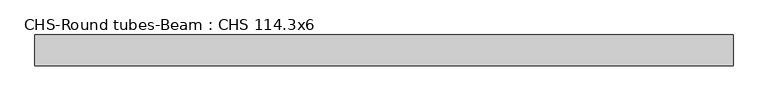
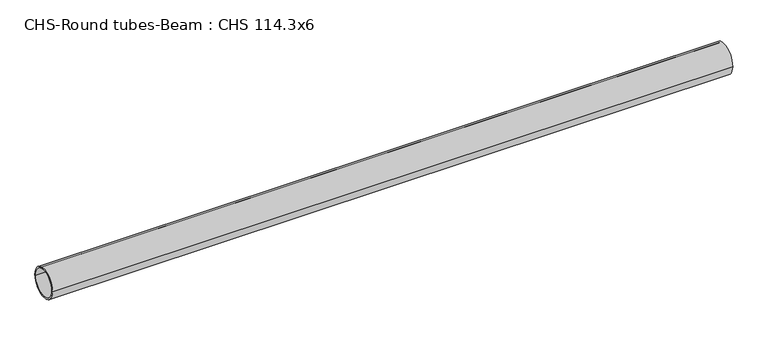
"""IFC4 building model written with IfcOpenShell, lengths in millimetres: beam geometry, CHS-Round tubes-Beam : CHS 114.3x6."""

import ifcopenshell
import ifcopenshell.guid

model = None  # the IFC model being written
_history = None  # IfcOwnerHistory: only IFC2X3 demands one
_inside = {}  # id of a spatial element -> (the spatial element, [elements in it])
_under = {}  # id of a project, library or spatial element -> (it, [spatial elements below it])
_declared = {}  # id of a project -> (the project, [libraries it declares])
_typed = {}  # id of a type object -> (the type object, [elements of that type])
_made_of = {}  # id of a material, layer set ... -> (it, [elements and type objects made of it])


def new_model(schema):
    """Start an empty IFC model of exactly this schema.

    Asked for "IFC4X3", IfcOpenShell would pick the latest addendum, in which some entities
    have other attributes; the version numbers below select the first issue.
    IFC2X3 requires an IfcOwnerHistory on every rooted entity: one is made here for all.
    """
    global model, _history
    if schema == "IFC4X3":
        model = ifcopenshell.file(schema_version=(4, 3, 0, 0))
    else:
        model = ifcopenshell.file(schema=schema)
    _inside.clear()
    _under.clear()
    _declared.clear()
    _typed.clear()
    _made_of.clear()
    _history = None
    if model.schema == "IFC2X3":
        org = make("IfcOrganization", Name="unknown")
        user = make(
            "IfcPersonAndOrganization",
            ThePerson=make("IfcPerson", FamilyName="unknown"),
            TheOrganization=org,
        )
        app = make(
            "IfcApplication",
            ApplicationDeveloper=org,
            Version="unknown",
            ApplicationFullName="unknown",
            ApplicationIdentifier="unknown",
        )
        _history = make(
            "IfcOwnerHistory",
            OwningUser=user,
            OwningApplication=app,
            ChangeAction="ADDED",
            CreationDate=0,
        )
    return model


def make(cls, **values):
    """One entity of the class cls with the attributes given. An attribute that is None is left unset."""
    return model.create_entity(
        cls, **{name: value for name, value in values.items() if value is not None}
    )


def rooted(cls, **values):
    """An entity with a GlobalId (a new one), such as an element, a storey or a relation."""
    return make(cls, GlobalId=ifcopenshell.guid.new(), OwnerHistory=_history, **values)


def si_unit(unit_type, name, prefix=None):
    """IfcSIUnit, for example si_unit("LENGTHUNIT", "METRE", prefix="MILLI")."""
    return make("IfcSIUnit", UnitType=unit_type, Prefix=prefix, Name=name)


def assignment(units):
    """IfcUnitAssignment: the units of a project."""
    return None if units is None else make("IfcUnitAssignment", Units=units)


def point(xyz):
    """IfcCartesianPoint."""
    return None if xyz is None else make("IfcCartesianPoint", Coordinates=xyz)


def direction(xyz):
    """IfcDirection."""
    return None if xyz is None else make("IfcDirection", DirectionRatios=xyz)


def frame(location, z_axis=None, x_axis=None):
    """IfcAxis2Placement3D, a coordinate frame: its origin and axes. An axis left out is left unset."""
    return make(
        "IfcAxis2Placement3D",
        Location=point(location),
        Axis=direction(z_axis),
        RefDirection=direction(x_axis),
    )


def frame_2d(location, x_axis=None):
    """IfcAxis2Placement2D, a coordinate frame in the plane: its origin and x axis."""
    return make(
        "IfcAxis2Placement2D", Location=point(location), RefDirection=direction(x_axis)
    )


def origin():
    """The frame at (0, 0, 0) with its axes left unset."""
    return frame((0.0, 0.0, 0.0))


def origin_2d():
    """The frame at (0, 0) in the plane with its x axis left unset."""
    return frame_2d((0.0, 0.0))


def place(relative_to, where):
    """IfcLocalPlacement: puts the frame where relative to a parent placement (None: the world)."""
    return make(
        "IfcLocalPlacement", PlacementRelTo=relative_to, RelativePlacement=where
    )


def context(
    kind, dimensions, precision=None, world=None, true_north=None, identifier=None
):
    """IfcGeometricRepresentationContext, for example the 3D "Model" context."""
    return make(
        "IfcGeometricRepresentationContext",
        ContextIdentifier=identifier,
        ContextType=kind,
        CoordinateSpaceDimension=dimensions,
        Precision=precision,
        WorldCoordinateSystem=world,
        TrueNorth=true_north,
    )


def project(units=None, contexts=None):
    """IfcProject with its units and contexts."""
    return rooted(
        "IfcProject",
        Name="project",
        RepresentationContexts=contexts,
        UnitsInContext=assignment(units),
    )


def spatial(cls, under=None, at=None, **own):
    """A site, building, storey or space (cls), placed at a placement, below another one or the project."""
    s = rooted(cls, ObjectPlacement=at, **own)
    if under is not None:
        _under.setdefault(under.id(), (under, []))[1].append(s)
    return s


def circle_curve(where, radius):
    """IfcCircle in the frame where."""
    return make("IfcCircle", Position=where, Radius=radius)


def trimmed(basis, trim1, trim2, sense, master):
    """IfcTrimmedCurve: the piece of a basis curve between two trims."""
    return make(
        "IfcTrimmedCurve",
        BasisCurve=basis,
        Trim1=trim1,
        Trim2=trim2,
        SenseAgreement=sense,
        MasterRepresentation=master,
    )


def segment(curve, same_sense, transition):
    """IfcCompositeCurveSegment."""
    return make(
        "IfcCompositeCurveSegment",
        Transition=transition,
        SameSense=same_sense,
        ParentCurve=curve,
    )


def composite_curve(segments, self_intersect=None):
    """IfcCompositeCurve: segments joined end to end."""
    return make("IfcCompositeCurve", Segments=segments, SelfIntersect=self_intersect)


def outline(outer, holes=None, kind="AREA"):
    """IfcArbitraryClosedProfileDef: a profile drawn as a closed curve; with holes, ...WithVoids."""
    if holes is None:
        return make("IfcArbitraryClosedProfileDef", ProfileType=kind, OuterCurve=outer)
    return make(
        "IfcArbitraryProfileDefWithVoids",
        ProfileType=kind,
        OuterCurve=outer,
        InnerCurves=holes,
    )


def extrude(swept, where, along, depth):
    """IfcExtrudedAreaSolid: the profile swept, set in the frame where, extruded along a direction by depth."""
    return make(
        "IfcExtrudedAreaSolid",
        SweptArea=swept,
        Position=where,
        ExtrudedDirection=direction(along),
        Depth=depth,
    )


def shape(context_of_items, identifier, shape_type, items):
    """IfcShapeRepresentation: the items that make up one representation, for example the "Body"."""
    return make(
        "IfcShapeRepresentation",
        ContextOfItems=context_of_items,
        RepresentationIdentifier=identifier,
        RepresentationType=shape_type,
        Items=items,
    )


def source(mapping_origin, context_of_items, identifier, shape_type, items):
    """IfcRepresentationMap: a shape defined once, which mapped items show again and again."""
    return make(
        "IfcRepresentationMap",
        MappingOrigin=mapping_origin,
        MappedRepresentation=shape(context_of_items, identifier, shape_type, items),
    )


def transform(
    local_origin,
    x_axis=None,
    y_axis=None,
    z_axis=None,
    scale=None,
    scale2=None,
    scale3=None,
    uniform=True,
):
    """IfcCartesianTransformationOperator3D, or its non-uniform kind. x_axis, y_axis, z_axis: its Axis1, 2, 3."""
    if uniform:
        return make(
            "IfcCartesianTransformationOperator3D",
            Axis1=direction(x_axis),
            Axis2=direction(y_axis),
            LocalOrigin=point(local_origin),
            Scale=scale,
            Axis3=direction(z_axis),
        )
    return make(
        "IfcCartesianTransformationOperator3DnonUniform",
        Axis1=direction(x_axis),
        Axis2=direction(y_axis),
        LocalOrigin=point(local_origin),
        Scale=scale,
        Axis3=direction(z_axis),
        Scale2=scale2,
        Scale3=scale3,
    )


def mapped(mapping_source, mapping_target):
    """IfcMappedItem: shows the shape of a source again, moved by a transform."""
    return make(
        "IfcMappedItem", MappingSource=mapping_source, MappingTarget=mapping_target
    )


def made_of(thing, what):
    """Note that an element or type object is made of a material, layer set ...; save() writes the relation."""
    if what is not None:
        _made_of.setdefault(what.id(), (what, []))[1].append(thing)
    return thing


def element(
    cls,
    number,
    at=None,
    inside=None,
    cuts=None,
    type_object=None,
    material=None,
    context=None,
    identifier="Body",
    shape_type=None,
    held_by="IfcProductDefinitionShape",
    body=None,
    shapes=None,
    **own,
):
    """One element of the class cls, such as IfcWall. Its Tag is "e" and its number.

    at: its placement. inside: the storey or other place that contains it. cuts: it is an
    opening in that element (IfcRelVoidsElement). A single representation is given by context,
    identifier, shape_type and body (its items); several are given by shapes. held_by: the class
    of the entity that holds the representations. save() writes the other relations.
    """
    e = rooted(cls, Tag="e%d" % number, ObjectPlacement=at, **own)
    if body is not None:
        shapes = [shape(context, identifier, shape_type, body)]
    if shapes is not None:
        e.Representation = make(held_by, Representations=shapes)
    if inside is not None:
        _inside.setdefault(inside.id(), (inside, []))[1].append(e)
    if cuts is not None:
        rooted(
            "IfcRelVoidsElement", RelatingBuildingElement=cuts, RelatedOpeningElement=e
        )
    if type_object is not None:
        _typed.setdefault(type_object.id(), (type_object, []))[1].append(e)
    return made_of(e, material)


def aggregate(whole, parts):
    """IfcRelAggregates: a whole, such as a stair, and the parts it consists of."""
    return rooted("IfcRelAggregates", RelatingObject=whole, RelatedObjects=parts)


def save(model, path):
    """Write the relations noted so far, then the file.

    IfcRelAggregates (storeys below a building ...), IfcRelContainedInSpatialStructure (elements
    in a storey), IfcRelDefinesByType, IfcRelAssociatesMaterial and IfcRelDeclares: one each for
    every whole, place, type object, material and project.
    """
    for whole, parts in _under.values():
        aggregate(whole, parts)
    for where, things in _inside.values():
        rooted(
            "IfcRelContainedInSpatialStructure",
            RelatedElements=things,
            RelatingStructure=where,
        )
    for kind, things in _typed.values():
        rooted("IfcRelDefinesByType", RelatedObjects=things, RelatingType=kind)
    for what, things in _made_of.values():
        rooted("IfcRelAssociatesMaterial", RelatedObjects=things, RelatingMaterial=what)
    for by, libraries in _declared.values():
        rooted("IfcRelDeclares", RelatingContext=by, RelatedDefinitions=libraries)
    model.write(path)


def chs_round_tubes_beam_chs_114_3x6_780bffdc(model_context):
    return source(origin(), model_context, "Body", "SweptSolid", [
        extrude(outline(composite_curve([segment(trimmed(circle_curve(origin_2d(), 57.15), [point((57.15, 0.0))], [point((-57.15, 0.0))], False, "CARTESIAN"), True, "CONTINUOUS"), segment(trimmed(circle_curve(origin_2d(), 57.15), [point((-57.15, 0.0))], [point((57.15, 0.0))], False, "CARTESIAN"), True, "CONTINUOUS")], self_intersect=False), holes=[composite_curve([segment(trimmed(circle_curve(origin_2d(), 51.15), [point((51.15, 0.0))], [point((-51.15, 0.0))], True, "CARTESIAN"), True, "CONTINUOUS"), segment(trimmed(circle_curve(origin_2d(), 51.15), [point((-51.15, 0.0))], [point((51.15, 0.0))], True, "CARTESIAN"), True, "CONTINUOUS")], self_intersect=False)]), frame((-1237.4412961, 0.0, 0.0), z_axis=(1.0, 0.0, 0.0), x_axis=(0.0, 1.0, 0.0)), (0.0, 0.0, 1.0), 2568.7263657),
    ])


if __name__ == "__main__":
    model = new_model("IFC4")
    model_context = context("Model", 3, world=origin())
    ifc_project = project(units=[si_unit("LENGTHUNIT", "METRE", prefix="MILLI")], contexts=[model_context])
    site = spatial("IfcSite", under=ifc_project)
    building = spatial("IfcBuilding", under=site)
    placement = place(None, origin())
    chs_round_tubes_beam_chs_114_3x6_shape = chs_round_tubes_beam_chs_114_3x6_780bffdc(model_context)
    element("IfcBeam", 1, ObjectType="CHS-Round tubes-Beam : CHS 114.3x6", at=placement, inside=building, context=model_context, shape_type="MappedRepresentation", body=[
        mapped(chs_round_tubes_beam_chs_114_3x6_shape, transform((0.0, 0.0, 0.0), x_axis=(1.0, 0.0, 0.0), y_axis=(0.0, 1.0, 0.0), z_axis=(0.0, 0.0, 1.0))),
    ])
    save(model, "model.ifc")
